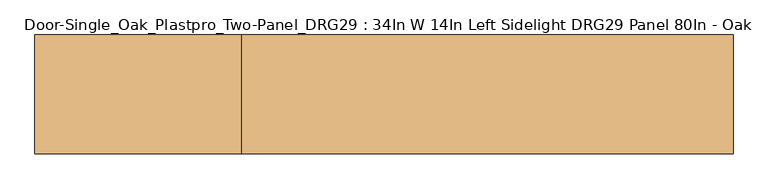
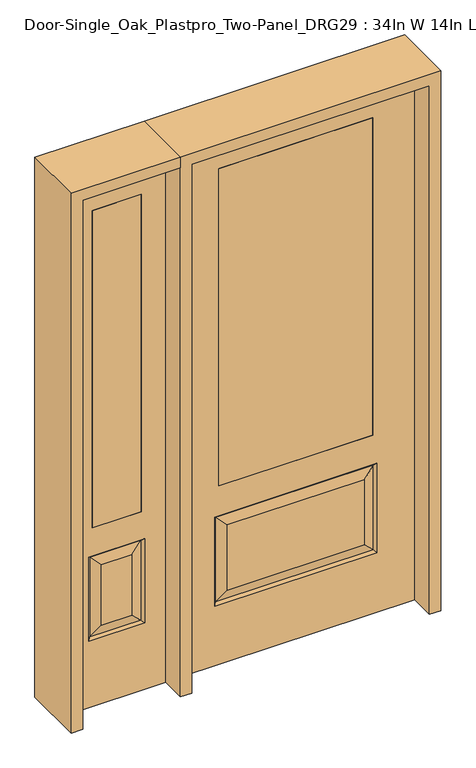
"""IFC4 building model written with IfcOpenShell, lengths in millimetres: door geometry, Door-Single_Oak_Plastpro_Two-Panel_DRG29 : 34In W 14In Left Sidelight DRG29 Panel 80In - Oak."""

from ifc_helpers import new_model, si_unit, frame, origin, place, context, project, spatial, polyline, outline, extrude, faceted_brep, source, transform, mapped, element, save


def door_single_oak_plastpro_two_panel_drg29_34in_w_14in_left_10772d9b(model_context):
    return source(origin(), model_context, "Body", "SolidModel", [
        extrude(outline(polyline([(-279.4, -20.6375), (-279.4, 20.6375), (279.4, 20.6375), (279.4, -20.6375), (-279.4, -20.6375)])), frame((0.0, 0.0, 685.8), z_axis=(0.0, 0.0, 1.0), x_axis=(1.0, 0.0, 0.0)), (0.0, 0.0, 1.0), 1219.2),
        faceted_brep([(-249.1224548, -20.6375, 274.7525452), (249.1224548, -20.6375, 274.7525452), (249.1224548, -20.6375, 525.3474548), (-249.1224548, -20.6375, 525.3474548), (431.8, -20.6375, 2032.0), (-431.8, -20.6375, 2032.0), (-431.8, -20.6375, 0.0), (431.8, -20.6375, 0.0), (295.1599548, -20.6375, 228.7150452), (-295.1599548, -20.6375, 228.7150452), (-295.1599548, -20.6375, 571.3849548), (295.1599548, -20.6375, 571.3849548), (-279.4, -20.6375, 1905.0), (279.4, -20.6375, 1905.0), (279.4, -20.6375, 685.8), (-279.4, -20.6375, 685.8), (-279.4, 20.6375, 1905.0), (-279.4, 20.6375, 685.8), (279.4, 20.6375, 685.8), (249.1224548, 20.6375, 274.7525452), (-249.1224548, 20.6375, 274.7525452), (-249.1224548, 20.6375, 525.3474548), (249.1224548, 20.6375, 525.3474548), (-431.8, 20.6375, 2032.0), (431.8, 20.6375, 2032.0), (431.8, 20.6375, 0.0), (-431.8, 20.6375, 0.0), (-295.1599548, 20.6375, 228.7150452), (295.1599548, 20.6375, 228.7150452), (295.1599548, 20.6375, 571.3849548), (-295.1599548, 20.6375, 571.3849548), (279.4, 20.6375, 1905.0), (286.1796986, -11.6572439, 237.6953014), (-286.1796986, -11.6572439, 237.6953014), (-286.1796986, -11.6572439, 562.4046986), (286.1796986, -11.6572439, 562.4046986), (286.1796986, 11.6572439, 237.6953014), (-286.1796986, 11.6572439, 237.6953014), (-286.1796986, 11.6572439, 562.4046986), (286.1796986, 11.6572439, 562.4046986)], [[[0, 1, 2, 3]], [[4, 5, 6, 7], [8, 9, 10, 11], [12, 13, 14, 15]], [[16, 12, 15, 17]], [[17, 15, 14, 18]], [[19, 20, 21, 22]], [[23, 24, 25, 26], [27, 28, 29, 30], [31, 16, 17, 18]], [[13, 31, 18, 14]], [[6, 26, 25, 7]], [[5, 23, 26, 6]], [[24, 4, 7, 25]], [[32, 33, 9, 8]], [[9, 33, 34, 10]], [[10, 34, 35, 11]], [[32, 8, 11, 35]], [[33, 32, 1, 0]], [[1, 32, 35, 2]], [[34, 3, 2, 35]], [[33, 0, 3, 34]], [[36, 37, 20, 19]], [[20, 37, 38, 21]], [[21, 38, 39, 22]], [[36, 19, 22, 39]], [[37, 36, 28, 27]], [[28, 36, 39, 29]], [[38, 30, 29, 39]], [[37, 27, 30, 38]], [[12, 16, 31, 13]], [[5, 4, 24, 23]]]),
        extrude(outline(polyline([(-739.775, -20.6375), (-739.775, 20.6375), (-561.975, 20.6375), (-561.975, -20.6375), (-739.775, -20.6375)])), frame((0.0, 0.0, 685.8), z_axis=(0.0, 0.0, 1.0), x_axis=(1.0, 0.0, 0.0)), (0.0, 0.0, 1.0), 1219.2),
        faceted_brep([(-739.775, -20.6375, 1905.0), (-739.775, 20.6375, 1905.0), (-561.975, 20.6375, 1905.0), (-561.975, -20.6375, 1905.0), (-706.3224548, -20.6375, 531.6974548), (-706.3224548, -20.6375, 300.1525452), (-595.4275452, -20.6375, 300.1525452), (-595.4275452, -20.6375, 531.6974548), (-473.075, -20.6375, 2032.0), (-828.675, -20.6375, 2032.0), (-828.675, -20.6375, 0.0), (-473.075, -20.6375, 0.0), (-752.3599548, -20.6375, 254.1150452), (-752.3599548, -20.6375, 577.7349548), (-549.3900452, -20.6375, 577.7349548), (-549.3900452, -20.6375, 254.1150452), (-561.975, -20.6375, 685.8), (-739.775, -20.6375, 685.8), (-743.3796986, 11.6572439, 568.7546986), (-743.3796986, 11.6572439, 263.0953014), (-752.3599548, 20.6375, 254.1150452), (-752.3599548, 20.6375, 577.7349548), (-549.3900452, 20.6375, 577.7349548), (-558.3703014, 11.6572439, 568.7546986), (-706.3224548, 20.6375, 531.6974548), (-706.3224548, 20.6375, 300.1525452), (-739.775, 20.6375, 685.8), (-561.975, 20.6375, 685.8), (-743.3796986, -11.6572439, 263.0953014), (-558.3703014, -11.6572439, 263.0953014), (-558.3703014, -11.6572439, 568.7546986), (-743.3796986, -11.6572439, 568.7546986), (-473.075, 20.6375, 2032.0), (-828.675, 20.6375, 2032.0), (-473.075, 20.6375, 0.0), (-828.675, 20.6375, 0.0), (-549.3900452, 20.6375, 254.1150452), (-595.4275452, 20.6375, 531.6974548), (-595.4275452, 20.6375, 300.1525452), (-558.3703014, 11.6572439, 263.0953014)], [[[0, 1, 2, 3]], [[4, 5, 6, 7]], [[8, 9, 10, 11], [12, 13, 14, 15], [0, 3, 16, 17]], [[18, 19, 20, 21]], [[18, 21, 22, 23]], [[19, 18, 24, 25]], [[26, 17, 16, 27]], [[5, 28, 29, 6]], [[6, 29, 30, 7]], [[28, 31, 13, 12]], [[32, 33, 9, 8]], [[34, 11, 10, 35]], [[32, 8, 11, 34]], [[9, 33, 35, 10]], [[33, 32, 34, 35], [21, 20, 36, 22], [2, 1, 26, 27]], [[25, 24, 37, 38]], [[20, 19, 39, 36]], [[36, 39, 23, 22]], [[24, 18, 23, 37]], [[39, 38, 37, 23]], [[19, 25, 38, 39]], [[1, 0, 17, 26]], [[3, 2, 27, 16]], [[31, 28, 5, 4]], [[31, 4, 7, 30]], [[13, 31, 30, 14]], [[29, 15, 14, 30]], [[28, 12, 15, 29]]]),
        extrude(outline(polyline([(2032.0, -473.075), (2073.275, -473.075), (2073.275, -869.95), (0.0, -869.95), (0.0, -828.675), (2032.0, -828.675), (2032.0, -473.075)])), frame((0.0, -114.3, 0.0), z_axis=(0.0, 1.0, 0.0), x_axis=(0.0, 0.0, 1.0)), (0.0, 0.0, 1.0), 228.6),
        extrude(outline(polyline([(2073.275, -473.075), (0.0, -473.075), (0.0, -431.8), (2032.0, -431.8), (2032.0, 431.8), (0.0, 431.8), (0.0, 473.075), (2073.275, 473.075), (2073.275, -473.075)])), frame((0.0, -114.3, 0.0), z_axis=(0.0, 1.0, 0.0), x_axis=(0.0, 0.0, 1.0)), (0.0, 0.0, 1.0), 228.6),
    ])


if __name__ == "__main__":
    model = new_model("IFC4")
    model_context = context("Model", 3, world=origin())
    ifc_project = project(units=[si_unit("LENGTHUNIT", "METRE", prefix="MILLI")], contexts=[model_context])
    site = spatial("IfcSite", under=ifc_project)
    building = spatial("IfcBuilding", under=site)
    placement = place(None, origin())
    door_single_oak_plastpro_two_panel_drg29_34in_w_14in_left_shape = door_single_oak_plastpro_two_panel_drg29_34in_w_14in_left_10772d9b(model_context)
    element("IfcDoor", 1, ObjectType="Door-Single_Oak_Plastpro_Two-Panel_DRG29 : 34In W 14In Left Sidelight DRG29 Panel 80In - Oak", at=placement, inside=building, context=model_context, shape_type="MappedRepresentation", body=[
        mapped(door_single_oak_plastpro_two_panel_drg29_34in_w_14in_left_shape, transform((0.0, 0.0, 0.0), x_axis=(1.0, 0.0, 0.0), y_axis=(0.0, 1.0, 0.0), z_axis=(0.0, 0.0, 1.0))),
    ])
    save(model, "model.ifc")
